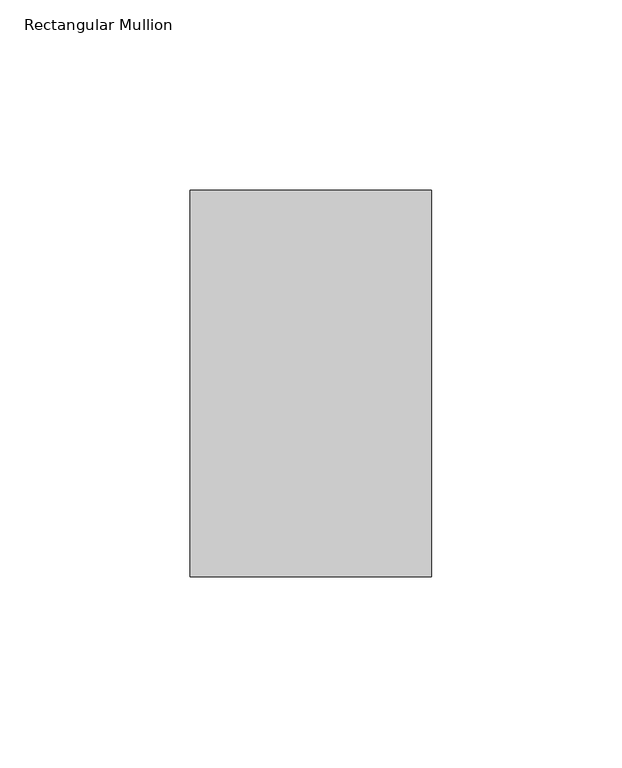
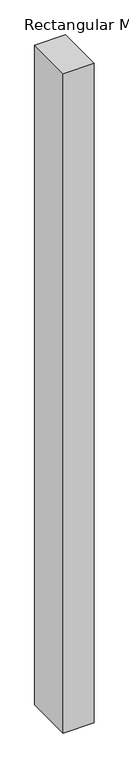
"""IFC4 building model written with IfcOpenShell, lengths in millimetres: member geometry, Rectangular Mullion."""

from ifc_helpers import new_model, si_unit, frame, origin, place, context, project, spatial, polyline, outline, extrude, source, transform, mapped, element, save


def rectangular_mullion_4eed9af0(model_context):
    return source(origin(), model_context, "Body", "SweptSolid", [
        extrude(outline(polyline([(31.75, -114.3), (-31.75, -114.3), (-31.75, -12.7), (31.75, -12.7), (31.75, -114.3)])), frame((0.0, 0.0, -1431.925), z_axis=(0.0, 0.0, 1.0), x_axis=(1.0, 0.0, 0.0)), (0.0, 0.0, 1.0), 1431.925),
    ])


if __name__ == "__main__":
    model = new_model("IFC4")
    model_context = context("Model", 3, world=origin())
    ifc_project = project(units=[si_unit("LENGTHUNIT", "METRE", prefix="MILLI")], contexts=[model_context])
    site = spatial("IfcSite", under=ifc_project)
    building = spatial("IfcBuilding", under=site)
    placement = place(None, origin())
    rectangular_mullion_shape = rectangular_mullion_4eed9af0(model_context)
    element("IfcMember", 1, ObjectType="Rectangular Mullion", at=placement, inside=building, context=model_context, shape_type="MappedRepresentation", body=[
        mapped(rectangular_mullion_shape, transform((0.0, 0.0, 0.0), x_axis=(1.0, 0.0, 0.0), y_axis=(0.0, 1.0, 0.0), z_axis=(0.0, 0.0, 1.0))),
    ])
    save(model, "model.ifc")
